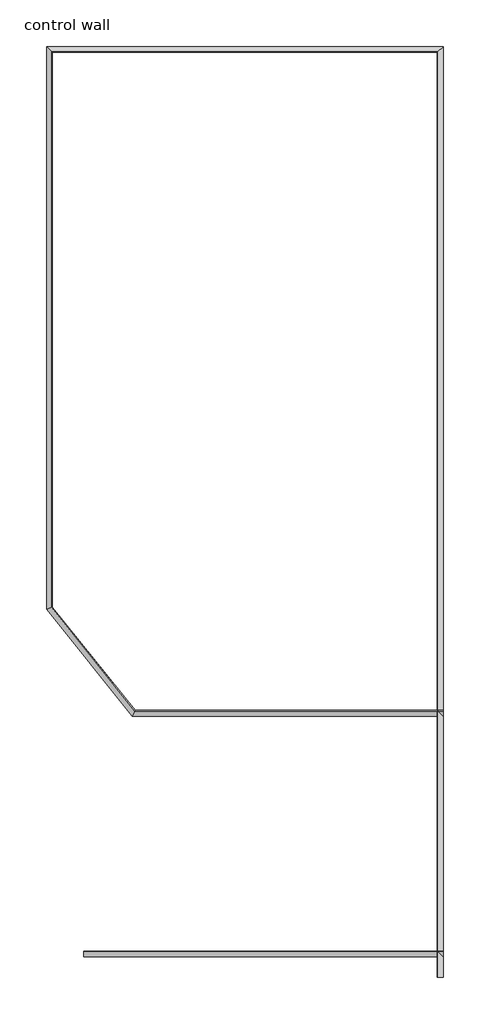
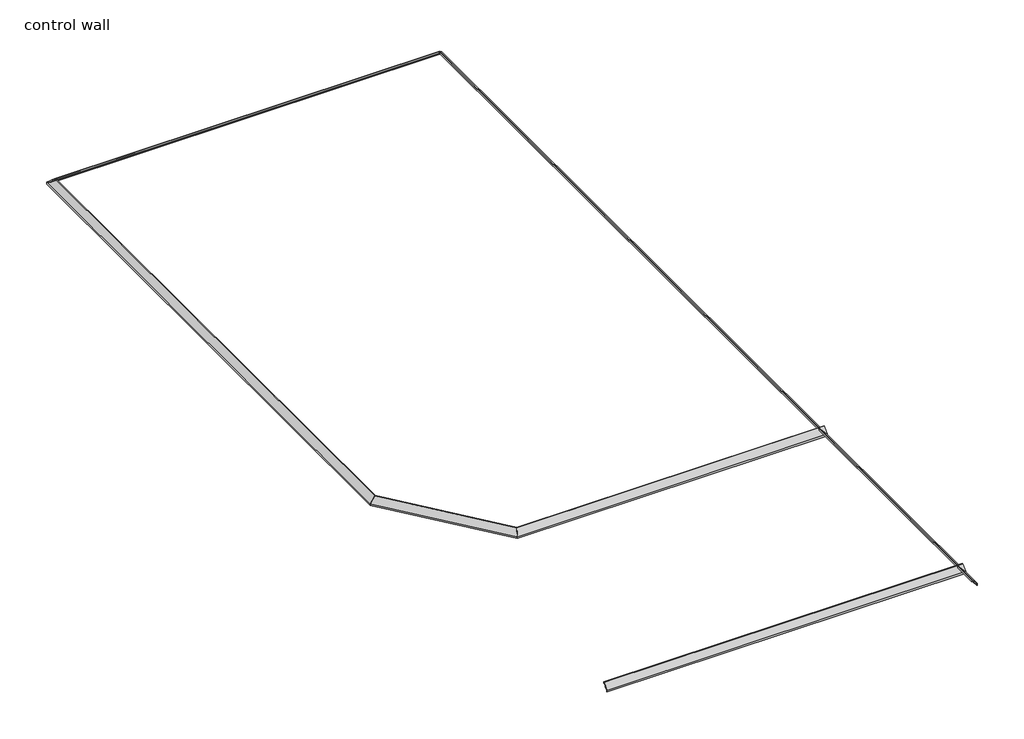
# One storey: 6 proxies.
"""IFC4 building model written with IfcOpenShell, lengths in millimetres."""

from ifc_helpers import new_model, si_unit, point, frame, frame_2d, origin, place, context, project, spatial, polyline, circle_curve, ellipse_curve, trimmed, segment, composite_curve, outline, extrude, element, save
from ifc_brep_helpers import plane_surface, cylinder_surface, revolved_surface, advanced_brep

model = new_model("IFC4")

# Units and contexts
model_context = context("Model", 3, world=origin())
ifc_project = project(units=[si_unit("LENGTHUNIT", "METRE", prefix="MILLI")], contexts=[model_context])

# Site, building, storey
site = spatial("IfcSite", under=ifc_project)
building = spatial("IfcBuilding", under=site)
storey = spatial("IfcBuildingStorey", under=building, Name="control wall", Elevation=2133.6)

# Proxies
placement = place(None, origin())
element("IfcBuildingElementProxy", 1, Name="Wall Sweeps", at=placement, inside=storey, context=model_context, shape_type="AdvancedBrep", body=[
    advanced_brep(
    [(19675.443485, -9564.6194644, 2830.5793892), (19675.443485, -9564.6194644, 2806.7), (19684.4237411, -9573.5997205, 2806.7), (19684.4237411, -9573.5997205, 2815.6802561), (19697.8941253, -9587.0701047, 2829.1506403), (19697.8941253, -9587.0701047, 2835.5006403), (19718.4188051, -9607.5947846, 2856.0253202), (19738.943485, -9628.1194644, 2876.55), (19748.5667938, -9637.7427732, 2876.55), (19748.5667938, -9637.7427732, 2895.6), (19740.4640958, -9629.6400752, 2895.6), (24577.643485, -9564.6194644, 2830.5793892), (24512.6228741, -9629.6400752, 2895.6), (24504.5201762, -9637.7427732, 2895.6), (24504.5201762, -9637.7427732, 2876.55), (24514.143485, -9628.1194644, 2876.55), (24534.6681648, -9607.5947846, 2856.0253202), (24555.1928447, -9587.0701047, 2835.5006403), (24555.1928447, -9587.0701047, 2829.1506403), (24568.6632288, -9573.5997205, 2815.6802561), (24568.6632288, -9573.5997205, 2806.7), (24577.643485, -9564.6194644, 2806.7)],
    [
        (0, 1),
        (1, 2),
        (2, 3),
        (3, 4, ellipse_curve(frame((19697.8941253, -9587.0701047, 2815.6802561), z_axis=(0.7071067811865547, 0.7071067811865405, 0.0), x_axis=(0.7071067811865402, -0.7071067811865548, 0.0)), 19.05, 13.4703842)),
        (4, 5),
        (5, 6, ellipse_curve(frame((19697.8941253, -9587.0701047, 2856.0253202), z_axis=(-0.7071067811865547, -0.7071067811865405, 0.0), x_axis=(-0.7071067811865402, 0.7071067811865548, 0.0)), 29.0262806, 20.5246798)),
        (6, 7, ellipse_curve(frame((19738.943485, -9628.1194644, 2856.0253202), z_axis=(0.7071067811865547, 0.7071067811865405, 0.0), x_axis=(0.7071067811865402, -0.7071067811865548, 0.0)), 29.0262806, 20.5246798)),
        (7, 8),
        (8, 9),
        (9, 10),
        (10, 0),
        (11, 12),
        (12, 13),
        (13, 14),
        (14, 15),
        (15, 16, ellipse_curve(frame((24514.143485, -9628.1194644, 2856.0253202), z_axis=(-0.707106781186544, 0.7071067811865511, 0.0), x_axis=(0.707106781186551, 0.707106781186544, 0.0)), 29.0262806, 20.5246798)),
        (16, 17, ellipse_curve(frame((24555.1928447, -9587.0701047, 2856.0253202), z_axis=(0.707106781186544, -0.7071067811865511, 0.0), x_axis=(-0.707106781186551, -0.707106781186544, 0.0)), 29.0262806, 20.5246798)),
        (17, 18),
        (18, 19, ellipse_curve(frame((24555.1928447, -9587.0701047, 2815.6802561), z_axis=(-0.707106781186544, 0.7071067811865511, 0.0), x_axis=(0.707106781186551, 0.707106781186544, 0.0)), 19.05, 13.4703842)),
        (19, 20),
        (20, 21),
        (21, 11),
        (10, 12),
        (11, 0),
        (9, 13),
        (8, 14),
        (7, 15),
        (6, 16),
        (5, 17),
        (4, 18),
        (3, 19),
        (2, 20),
        (1, 21),
    ],
    [
        plane_surface(frame((19675.443485, -9564.6194644, 3111.5), z_axis=(-0.7071067811865547, -0.7071067811865405, 0.0), x_axis=(0.7071067811865405, -0.7071067811865547, 0.0))),
        plane_surface(frame((24577.643485, -9564.6194644, 3111.5), z_axis=(0.707106781186544, -0.7071067811865511, 0.0), x_axis=(-0.7071067811865511, -0.707106781186544, 0.0))),
        plane_surface(frame((19740.4640958, -9629.6400752, 2895.6), z_axis=(0.0, 0.707106781186547, 0.707106781186548), x_axis=(1.0, 0.0, 0.0))),
        plane_surface(frame((19748.5667938, -9637.7427732, 2895.6), z_axis=(0.0, 0.0, 1.0), x_axis=(1.0, 0.0, 0.0))),
        plane_surface(frame((19748.5667938, -9637.7427732, 2876.55), z_axis=(0.0, -1.0, 0.0), x_axis=(1.0, 0.0, 0.0))),
        plane_surface(frame((19738.943485, -9628.1194644, 2876.55), z_axis=(0.0, 0.0, -1.0), x_axis=(1.0, 0.0, 0.0))),
        revolved_surface(polyline([(24534.668164844883, -9648.644144200001, 2856.0253202), (19718.4188051, -9648.644144200001, 2856.0253202)]), (19675.443485, -9628.1194644, 2856.0253202), (1.0, 0.0, 0.0)),
        cylinder_surface(frame((19675.443485, -9587.0701047, 2856.0253202), z_axis=(-1.0, 0.0, 0.0), x_axis=(0.0, -1.0, 0.0)), 20.5246798),
        plane_surface(frame((19697.8941253, -9587.0701047, 2829.1506403), z_axis=(0.0, -1.0, 0.0), x_axis=(1.0, 0.0, 0.0))),
        revolved_surface(polyline([(24568.663228881604, -9600.5404889, 2815.6802561), (19684.4237411, -9600.5404889, 2815.6802561)]), (19675.443485, -9587.0701047, 2815.6802561), (1.0, 0.0, 0.0)),
        plane_surface(frame((19684.4237411, -9573.5997205, 2806.7), z_axis=(0.0, -1.0, 0.0), x_axis=(1.0, 0.0, 0.0))),
        plane_surface(frame((19675.443485, -9564.6194644, 2806.7), z_axis=(0.0, 0.0, -1.0), x_axis=(1.0, 0.0, 0.0))),
        plane_surface(frame((19675.443485, -9564.6194644, 2830.5793892), z_axis=(0.0, 1.0, 0.0), x_axis=(1.0, 0.0, 0.0))),
    ],
    [
        (0, [[1, 2, 3, 4, 5, 6, 7, 8, 9, 10, 11]]),
        (1, [[12, 13, 14, 15, 16, 17, 18, 19, 20, 21, 22]]),
        (2, [[-11, 23, -12, 24]]),
        (3, [[-10, 25, -13, -23]]),
        (4, [[-9, 26, -14, -25]]),
        (5, [[-8, 27, -15, -26]]),
        (6, [[-7, 28, -16, -27]]),
        (7, [[-6, 29, -17, -28]]),
        (8, [[-5, 30, -18, -29]]),
        (9, [[-4, 31, -19, -30]]),
        (10, [[-3, 32, -20, -31]]),
        (11, [[-2, 33, -21, -32]]),
        (12, [[-1, -24, -22, -33]]),
    ],
),
])
element("IfcBuildingElementProxy", 2, Name="Wall Sweeps", at=placement, inside=storey, context=model_context, shape_type="SweptSolid", body=[
    extrude(outline(composite_curve([segment(polyline([(-20819.9944644, 2830.5793892), (-20754.9738536, 2895.6), (-20746.8711556, 2895.6), (-20746.8711556, 2876.55), (-20756.4944644, 2876.55)]), True, "CONTINUOUS"), segment(trimmed(circle_curve(frame_2d((-20756.4944644, 2856.0253202)), 20.5246798), [point((-20756.4944644, 2876.55))], [point((-20777.0191443, 2856.0253202))], True, "CARTESIAN"), True, "CONTINUOUS"), segment(trimmed(circle_curve(frame_2d((-20797.5438241, 2856.0253202)), 20.5246798), [point((-20777.0191443, 2856.0253202))], [point((-20797.5438241, 2835.5006403))], False, "CARTESIAN"), True, "CONTINUOUS"), segment(polyline([(-20797.5438241, 2835.5006403), (-20797.5438241, 2829.1506403)]), True, "CONTINUOUS"), segment(trimmed(circle_curve(frame_2d((-20797.5438241, 2815.6802561)), 13.4703842), [point((-20797.5438241, 2829.1506403))], [point((-20811.0142083, 2815.6802561))], True, "CARTESIAN"), True, "CONTINUOUS"), segment(polyline([(-20811.0142083, 2815.6802561), (-20811.0142083, 2806.7), (-20819.9944644, 2806.7), (-20819.9944644, 2830.5793892)]), True, "CONTINUOUS")], self_intersect=False)), frame((20132.6435866, 0.0, 0.0), z_axis=(1.0, 0.0, 0.0), x_axis=(0.0, 1.0, 0.0)), (0.0, 0.0, 1.0), 4444.9998984),
])
element("IfcBuildingElementProxy", 3, Name="Wall Sweeps", at=placement, inside=storey, context=model_context, shape_type="AdvancedBrep", body=[
    advanced_brep(
    [(24577.643485, -21073.2007144, 2830.5793892), (24512.6228741, -21073.2007144, 2895.6), (24504.5201762, -21073.2007144, 2895.6), (24504.5201762, -21073.2007144, 2876.55), (24514.143485, -21073.2007144, 2876.55), (24534.6681648, -21073.2007144, 2856.0253202), (24555.1928447, -21073.2007144, 2835.5006403), (24555.1928447, -21073.2007144, 2829.1506403), (24568.6632288, -21073.2007144, 2815.6802561), (24568.6632288, -21073.2007144, 2806.7), (24577.643485, -21073.2007144, 2806.7), (24577.643485, -9564.6194644, 2830.5793892), (24577.643485, -9564.6194644, 2806.7), (24568.6632288, -9573.5997205, 2806.7), (24568.6632288, -9573.5997205, 2815.6802561), (24555.1928447, -9587.0701047, 2829.1506403), (24555.1928447, -9587.0701047, 2835.5006403), (24534.6681648, -9607.5947846, 2856.0253202), (24514.143485, -9628.1194644, 2876.55), (24504.5201762, -9637.7427732, 2876.55), (24504.5201762, -9637.7427732, 2895.6), (24512.6228741, -9629.6400752, 2895.6)],
    [
        (0, 1),
        (1, 2),
        (2, 3),
        (3, 4),
        (4, 5, circle_curve(frame((24514.143485, -21073.2007144, 2856.0253202), z_axis=(0.0, 1.0, 0.0), x_axis=(-1.0, 0.0, 0.0)), 20.5246798)),
        (5, 6, circle_curve(frame((24555.1928447, -21073.2007144, 2856.0253202), z_axis=(0.0, -1.0, 0.0), x_axis=(-1.0, 0.0, 0.0)), 20.5246798)),
        (6, 7),
        (7, 8, circle_curve(frame((24555.1928447, -21073.2007144, 2815.6802561), z_axis=(0.0, 1.0, 0.0), x_axis=(-1.0, 0.0, 0.0)), 13.4703842)),
        (8, 9),
        (9, 10),
        (10, 0),
        (11, 12),
        (12, 13),
        (13, 14),
        (14, 15, ellipse_curve(frame((24555.1928447, -9587.0701047, 2815.6802561), z_axis=(0.7071067811865422, -0.7071067811865529, 0.0), x_axis=(0.707106781186553, 0.707106781186542, 0.0)), 19.05, 13.4703842)),
        (15, 16),
        (16, 17, ellipse_curve(frame((24555.1928447, -9587.0701047, 2856.0253202), z_axis=(-0.7071067811865422, 0.7071067811865529, 0.0), x_axis=(-0.707106781186553, -0.707106781186542, 0.0)), 29.0262806, 20.5246798)),
        (17, 18, ellipse_curve(frame((24514.143485, -9628.1194644, 2856.0253202), z_axis=(0.7071067811865422, -0.7071067811865529, 0.0), x_axis=(0.707106781186553, 0.707106781186542, 0.0)), 29.0262806, 20.5246798)),
        (18, 19),
        (19, 20),
        (20, 21),
        (21, 11),
        (0, 11),
        (21, 1),
        (20, 2),
        (19, 3),
        (18, 4),
        (17, 5),
        (16, 6),
        (15, 7),
        (14, 8),
        (13, 9),
        (12, 10),
    ],
    [
        plane_surface(frame((24462.533849, -21073.2007144, 2806.7), z_axis=(0.0, -1.0, 0.0), x_axis=(0.0, 0.0, 1.0))),
        plane_surface(frame((24577.643485, -9564.6194644, 2501.9), z_axis=(-0.7071067811865422, 0.7071067811865529, 0.0), x_axis=(-0.7071067811865529, -0.7071067811865422, 0.0))),
        plane_surface(frame((24577.643485, -21073.2007144, 2830.5793892), z_axis=(0.707106781186547, 0.0, 0.707106781186548), x_axis=(0.0, 1.0, 0.0))),
        plane_surface(frame((24512.6228741, -21073.2007144, 2895.6), z_axis=(0.0, 0.0, 1.0), x_axis=(0.0, 1.0, 0.0))),
        plane_surface(frame((24504.5201762, -21073.2007144, 2895.6), z_axis=(-1.0, 0.0, 0.0), x_axis=(0.0, 1.0, 0.0))),
        plane_surface(frame((24504.5201762, -21073.2007144, 2876.55), z_axis=(0.0, 0.0, -1.0), x_axis=(0.0, 1.0, 0.0))),
        revolved_surface(polyline([(24493.6188052, -9607.594784555118, 2856.0253202), (24493.6188052, -21073.2007144, 2856.0253202)]), (24514.143485, -21073.2007144, 2856.0253202), (0.0, 1.0, 0.0)),
        cylinder_surface(frame((24555.1928447, -21073.2007144, 2856.0253202), z_axis=(0.0, -1.0, 0.0), x_axis=(-1.0, 0.0, 0.0)), 20.5246798),
        plane_surface(frame((24555.1928447, -21073.2007144, 2835.5006403), z_axis=(-1.0, 0.0, 0.0), x_axis=(0.0, 1.0, 0.0))),
        revolved_surface(polyline([(24541.722460499997, -9573.5997205, 2815.6802561), (24541.722460499997, -21073.2007144, 2815.6802561)]), (24555.1928447, -21073.2007144, 2815.6802561), (0.0, 1.0, 0.0)),
        plane_surface(frame((24568.6632288, -21073.2007144, 2815.6802561), z_axis=(-1.0, 0.0, 0.0), x_axis=(0.0, 1.0, 0.0))),
        plane_surface(frame((24568.6632288, -21073.2007144, 2806.7), z_axis=(0.0, 0.0, -1.0), x_axis=(0.0, 1.0, 0.0))),
        plane_surface(frame((24577.643485, -21073.2007144, 2806.7), z_axis=(1.0, 0.0, 0.0), x_axis=(0.0, 1.0, 0.0))),
    ],
    [
        (0, [[1, 2, 3, 4, 5, 6, 7, 8, 9, 10, 11]]),
        (1, [[12, 13, 14, 15, 16, 17, 18, 19, 20, 21, 22]]),
        (2, [[-1, 23, -22, 24]]),
        (3, [[-2, -24, -21, 25]]),
        (4, [[-3, -25, -20, 26]]),
        (5, [[-4, -26, -19, 27]]),
        (6, [[-5, -27, -18, 28]]),
        (7, [[-6, -28, -17, 29]]),
        (8, [[-7, -29, -16, 30]]),
        (9, [[-8, -30, -15, 31]]),
        (10, [[-9, -31, -14, 32]]),
        (11, [[-10, -32, -13, 33]]),
        (12, [[-11, -33, -12, -23]]),
    ],
),
])
element("IfcBuildingElementProxy", 4, Name="Wall Sweeps", at=placement, inside=storey, context=model_context, shape_type="AdvancedBrep", body=[
    advanced_brep(
    [(19675.443485, -16521.0975032, 2830.5793892), (19675.443485, -16521.0975032, 2806.7), (19684.4237411, -16517.946789, 2806.7), (19684.4237411, -16517.946789, 2815.6802561), (19697.8941253, -16513.2207175, 2829.1506403), (19697.8941253, -16513.2207175, 2835.5006403), (19718.4188051, -16506.0196532, 2856.0253202), (19738.943485, -16498.8185889, 2876.55), (19748.5667938, -16495.4422602, 2876.55), (19748.5667938, -16495.4422602, 2895.6), (19740.4640958, -16498.2850841, 2895.6), (19675.443485, -9564.6194644, 2830.5793892), (19740.4640958, -9629.6400752, 2895.6), (19748.5667938, -9637.7427732, 2895.6), (19748.5667938, -9637.7427732, 2876.55), (19738.943485, -9628.1194644, 2876.55), (19718.4188051, -9607.5947846, 2856.0253202), (19697.8941253, -9587.0701047, 2835.5006403), (19697.8941253, -9587.0701047, 2829.1506403), (19684.4237411, -9573.5997205, 2815.6802561), (19684.4237411, -9573.5997205, 2806.7), (19675.443485, -9564.6194644, 2806.7)],
    [
        (0, 1),
        (1, 2),
        (2, 3),
        (3, 4, ellipse_curve(frame((19697.8941253, -16513.2207175, 2815.6802561), z_axis=(-0.33106406338167255, 0.9436082799219261, 0.0), x_axis=(0.9436082799219262, 0.33106406338167227, 0.0)), 14.2753985, 13.4703842)),
        (4, 5),
        (5, 6, ellipse_curve(frame((19697.8941253, -16513.2207175, 2856.0253202), z_axis=(0.33106406338167255, -0.9436082799219261, 0.0), x_axis=(-0.9436082799219262, -0.33106406338167227, 0.0)), 21.7512715, 20.5246798)),
        (6, 7, ellipse_curve(frame((19738.943485, -16498.8185889, 2856.0253202), z_axis=(-0.33106406338167255, 0.9436082799219261, 0.0), x_axis=(0.9436082799219262, 0.33106406338167227, 0.0)), 21.7512715, 20.5246798)),
        (7, 8),
        (8, 9),
        (9, 10),
        (10, 0),
        (11, 12),
        (12, 13),
        (13, 14),
        (14, 15),
        (15, 16, ellipse_curve(frame((19738.943485, -9628.1194644, 2856.0253202), z_axis=(-0.7071067811865547, -0.7071067811865405, 0.0), x_axis=(-0.7071067811865405, 0.7071067811865545, 0.0)), 29.0262806, 20.5246798)),
        (16, 17, ellipse_curve(frame((19697.8941253, -9587.0701047, 2856.0253202), z_axis=(0.7071067811865547, 0.7071067811865405, 0.0), x_axis=(0.7071067811865405, -0.7071067811865545, 0.0)), 29.0262806, 20.5246798)),
        (17, 18),
        (18, 19, ellipse_curve(frame((19697.8941253, -9587.0701047, 2815.6802561), z_axis=(-0.7071067811865547, -0.7071067811865405, 0.0), x_axis=(-0.7071067811865405, 0.7071067811865545, 0.0)), 19.05, 13.4703842)),
        (19, 20),
        (20, 21),
        (21, 11),
        (10, 12),
        (11, 0),
        (9, 13),
        (8, 14),
        (7, 15),
        (6, 16),
        (5, 17),
        (4, 18),
        (3, 19),
        (2, 20),
        (1, 21),
    ],
    [
        plane_surface(frame((19675.443485, -16521.0975032, 3111.5), z_axis=(0.33106406338167255, -0.9436082799219261, 0.0), x_axis=(0.9436082799219261, 0.33106406338167255, 0.0))),
        plane_surface(frame((19675.443485, -9564.6194644, 3111.5), z_axis=(0.7071067811865547, 0.7071067811865405, 0.0), x_axis=(0.7071067811865405, -0.7071067811865547, 0.0))),
        plane_surface(frame((19740.4640958, -16498.2850841, 2895.6), z_axis=(-0.707106781186547, 0.0, 0.707106781186548), x_axis=(0.0, 1.0, 0.0))),
        plane_surface(frame((19748.5667938, -16495.4422602, 2895.6), z_axis=(0.0, 0.0, 1.0), x_axis=(0.0, 1.0, 0.0))),
        plane_surface(frame((19748.5667938, -16495.4422602, 2876.55), z_axis=(1.0, 0.0, 0.0), x_axis=(0.0, 1.0, 0.0))),
        plane_surface(frame((19738.943485, -16498.8185889, 2876.55), z_axis=(0.0, 0.0, -1.0), x_axis=(0.0, 1.0, 0.0))),
        revolved_surface(polyline([(19759.4681648, -9607.594784555116, 2856.0253202), (19759.4681648, -16506.01965322651, 2856.0253202)]), (19738.943485, -16521.0975032, 2856.0253202), (0.0, 1.0, 0.0)),
        cylinder_surface(frame((19697.8941253, -16521.0975032, 2856.0253202), z_axis=(0.0, -1.0, 0.0), x_axis=(1.0, 0.0, 0.0)), 20.5246798),
        plane_surface(frame((19697.8941253, -16513.2207175, 2829.1506403), z_axis=(1.0, 0.0, 0.0), x_axis=(0.0, 1.0, 0.0))),
        revolved_surface(polyline([(19711.364509500003, -9573.5997205, 2815.6802561), (19711.364509500003, -16517.946789, 2815.6802561)]), (19697.8941253, -16521.0975032, 2815.6802561), (0.0, 1.0, 0.0)),
        plane_surface(frame((19684.4237411, -16517.946789, 2806.7), z_axis=(1.0, 0.0, 0.0), x_axis=(0.0, 1.0, 0.0))),
        plane_surface(frame((19675.443485, -16521.0975032, 2806.7), z_axis=(0.0, 0.0, -1.0), x_axis=(0.0, 1.0, 0.0))),
        plane_surface(frame((19675.443485, -16521.0975032, 2830.5793892), z_axis=(-1.0, 0.0, 0.0), x_axis=(0.0, 1.0, 0.0))),
    ],
    [
        (0, [[1, 2, 3, 4, 5, 6, 7, 8, 9, 10, 11]]),
        (1, [[12, 13, 14, 15, 16, 17, 18, 19, 20, 21, 22]]),
        (2, [[-11, 23, -12, 24]]),
        (3, [[-10, 25, -13, -23]]),
        (4, [[-9, 26, -14, -25]]),
        (5, [[-8, 27, -15, -26]]),
        (6, [[-7, 28, -16, -27]]),
        (7, [[-6, 29, -17, -28]]),
        (8, [[-5, 30, -18, -29]]),
        (9, [[-4, 31, -19, -30]]),
        (10, [[-3, 32, -20, -31]]),
        (11, [[-2, 33, -21, -32]]),
        (12, [[-1, -24, -22, -33]]),
    ],
),
])
element("IfcBuildingElementProxy", 5, Name="Wall Sweeps", at=placement, inside=storey, context=model_context, shape_type="AdvancedBrep", body=[
    advanced_brep(
    [(19675.443485, -16521.0975032, 2830.5793892), (19740.4640958, -16498.2850841, 2895.6), (19748.5667938, -16495.4422602, 2895.6), (19748.5667938, -16495.4422602, 2876.55), (19738.943485, -16498.8185889, 2876.55), (19718.4188051, -16506.0196532, 2856.0253202), (19697.8941253, -16513.2207175, 2835.5006403), (19697.8941253, -16513.2207175, 2829.1506403), (19684.4237411, -16517.946789, 2815.6802561), (19684.4237411, -16517.946789, 2806.7), (19675.443485, -16521.0975032, 2806.7), (20734.8439505, -17845.0194644, 2830.5793892), (20734.8439505, -17845.0194644, 2806.7), (20739.1594155, -17836.0392083, 2806.7), (20739.1594155, -17836.0392083, 2815.6802561), (20745.6326131, -17822.5688241, 2829.1506403), (20745.6326131, -17822.5688241, 2835.5006403), (20755.4957548, -17802.0441443, 2856.0253202), (20765.3588965, -17781.5194644, 2876.55), (20769.9833807, -17771.8961556, 2876.55), (20769.9833807, -17771.8961556, 2895.6), (20766.0896265, -17779.9988536, 2895.6)],
    [
        (0, 1),
        (1, 2),
        (2, 3),
        (3, 4),
        (4, 5, ellipse_curve(frame((19738.943485, -16498.8185889, 2856.0253202), z_axis=(0.33106406338167255, -0.9436082799219261, 0.0), x_axis=(0.9436082799219261, 0.3310640633816727, 0.0)), 21.7512715, 20.5246798)),
        (5, 6, ellipse_curve(frame((19697.8941253, -16513.2207175, 2856.0253202), z_axis=(-0.33106406338167255, 0.9436082799219261, 0.0), x_axis=(-0.9436082799219261, -0.3310640633816727, 0.0)), 21.7512715, 20.5246798)),
        (6, 7),
        (7, 8, ellipse_curve(frame((19697.8941253, -16513.2207175, 2815.6802561), z_axis=(0.33106406338167255, -0.9436082799219261, 0.0), x_axis=(0.9436082799219261, 0.3310640633816727, 0.0)), 14.2753985, 13.4703842)),
        (8, 9),
        (9, 10),
        (10, 0),
        (11, 12),
        (12, 13),
        (13, 14),
        (14, 15, ellipse_curve(frame((20745.6326131, -17822.5688241, 2815.6802561), z_axis=(-0.9013294577409205, 0.43313416929221626, 0.0), x_axis=(-0.4331341692922166, -0.9013294577409202, 0.0)), 14.9450171, 13.4703842)),
        (15, 16),
        (16, 17, ellipse_curve(frame((20745.6326131, -17822.5688241, 2856.0253202), z_axis=(0.9013294577409205, -0.43313416929221626, 0.0), x_axis=(0.4331341692922166, 0.9013294577409202, 0.0)), 22.7715622, 20.5246798)),
        (17, 18, ellipse_curve(frame((20765.3588965, -17781.5194644, 2856.0253202), z_axis=(-0.9013294577409205, 0.43313416929221626, 0.0), x_axis=(-0.4331341692922166, -0.9013294577409202, 0.0)), 22.7715622, 20.5246798)),
        (18, 19),
        (19, 20),
        (20, 21),
        (21, 11),
        (10, 12),
        (11, 0),
        (9, 13),
        (8, 14),
        (7, 15),
        (6, 16),
        (5, 17),
        (4, 18),
        (3, 19),
        (2, 20),
        (1, 21),
    ],
    [
        plane_surface(frame((19675.443485, -16521.0975032, 2501.9), z_axis=(-0.33106406338167255, 0.9436082799219261, 0.0), x_axis=(0.9436082799219261, 0.33106406338167255, 0.0))),
        plane_surface(frame((20734.8439505, -17845.0194644, 2501.9), z_axis=(0.9013294577409205, -0.43313416929221626, 0.0), x_axis=(0.43313416929221626, 0.9013294577409205, 0.0))),
        plane_surface(frame((19675.443485, -16521.0975032, 2806.7), z_axis=(-0.7807931718744289, -0.6247895827830907, 0.0), x_axis=(0.6247895827830907, -0.7807931718744289, 0.0))),
        plane_surface(frame((19684.4237411, -16517.946789, 2806.7), z_axis=(0.0, 0.0, -1.0000000000000002), x_axis=(0.6247895827830902, -0.7807931718744294, 0.0))),
        plane_surface(frame((19684.4237411, -16517.946789, 2815.6802561), z_axis=(0.7807931718744294, 0.6247895827830902, 0.0), x_axis=(0.6247895827830902, -0.7807931718744294, 0.0))),
        revolved_surface(polyline([(20760.19458353852, -17819.206896830103, 2815.6802561), (19705.45890908124, -16501.114477490708, 2815.6802561)]), (19692.9727916, -16507.070577, 2815.6802561), (0.6247895827830905, -0.7807931718744292, 0.0)),
        plane_surface(frame((19697.8941253, -16513.2207175, 2835.5006403), z_axis=(0.7807931718744284, 0.6247895827830914, 0.0), x_axis=(0.6247895827830914, -0.7807931718744284, 0.0))),
        cylinder_surface(frame((19692.9727916, -16507.070577, 2856.0253202), z_axis=(-0.6247895827830905, 0.7807931718744292, 0.0), x_axis=(0.7807931718744292, 0.6247895827830905, 0.0)), 20.5246798),
        revolved_surface(polyline([(20787.546814577472, -17776.396931968407, 2856.0253202), (19750.46986484865, -16480.372440891468, 2856.0253202)]), (19725.0238514, -16481.4233647, 2856.0253202), (0.6247895827830905, -0.7807931718744292, 0.0)),
        plane_surface(frame((19748.5667938, -16495.4422602, 2876.55), z_axis=(0.0, 0.0, -1.0), x_axis=(0.6247895827830906, -0.780793171874429, 0.0))),
        plane_surface(frame((19748.5667938, -16495.4422602, 2895.6), z_axis=(0.780793171874429, 0.6247895827830906, 0.0), x_axis=(0.6247895827830906, -0.780793171874429, 0.0))),
        plane_surface(frame((19740.4640958, -16498.2850841, 2895.6), z_axis=(0.0, 0.0, 1.0000000000000002), x_axis=(0.6247895827830909, -0.7807931718744289, 0.0))),
        plane_surface(frame((19675.443485, -16521.0975032, 2830.5793892), z_axis=(-0.5521041465365618, -0.4417929508006369, 0.7071067811865481), x_axis=(0.6247895827830907, -0.7807931718744289, 0.0))),
    ],
    [
        (0, [[1, 2, 3, 4, 5, 6, 7, 8, 9, 10, 11]]),
        (1, [[12, 13, 14, 15, 16, 17, 18, 19, 20, 21, 22]]),
        (2, [[-11, 23, -12, 24]]),
        (3, [[-10, 25, -13, -23]]),
        (4, [[-9, 26, -14, -25]]),
        (5, [[-8, 27, -15, -26]]),
        (6, [[-7, 28, -16, -27]]),
        (7, [[-6, 29, -17, -28]]),
        (8, [[-5, 30, -18, -29]]),
        (9, [[-4, 31, -19, -30]]),
        (10, [[-3, 32, -20, -31]]),
        (11, [[-2, 33, -21, -32]]),
        (12, [[-1, -24, -22, -33]]),
    ],
),
])
element("IfcBuildingElementProxy", 6, Name="Wall Sweeps", at=placement, inside=storey, context=model_context, shape_type="AdvancedBrep", body=[
    advanced_brep(
    [(20734.8439505, -17845.0194644, 2830.5793892), (20766.0896265, -17779.9988536, 2895.6), (20769.9833807, -17771.8961556, 2895.6), (20769.9833807, -17771.8961556, 2876.55), (20765.3588965, -17781.5194644, 2876.55), (20755.4957548, -17802.0441443, 2856.0253202), (20745.6326131, -17822.5688241, 2835.5006403), (20745.6326131, -17822.5688241, 2829.1506403), (20739.1594155, -17836.0392083, 2815.6802561), (20739.1594155, -17836.0392083, 2806.7), (20734.8439505, -17845.0194644, 2806.7), (24577.643485, -17845.0194644, 2830.5793892), (24577.643485, -17845.0194644, 2806.7), (24577.643485, -17836.0392083, 2806.7), (24577.643485, -17836.0392083, 2815.6802561), (24577.643485, -17822.5688241, 2829.1506403), (24577.643485, -17822.5688241, 2835.5006403), (24577.643485, -17802.0441443, 2856.0253202), (24577.643485, -17781.5194644, 2876.55), (24577.643485, -17771.8961556, 2876.55), (24577.643485, -17771.8961556, 2895.6), (24577.643485, -17779.9988536, 2895.6)],
    [
        (0, 1),
        (1, 2),
        (2, 3),
        (3, 4),
        (4, 5, ellipse_curve(frame((20765.3588965, -17781.5194644, 2856.0253202), z_axis=(0.9013294577409205, -0.43313416929221626, 0.0), x_axis=(0.43313416929221604, 0.9013294577409207, 0.0)), 22.7715622, 20.5246798)),
        (5, 6, ellipse_curve(frame((20745.6326131, -17822.5688241, 2856.0253202), z_axis=(-0.9013294577409205, 0.43313416929221626, 0.0), x_axis=(-0.43313416929221604, -0.9013294577409207, 0.0)), 22.7715622, 20.5246798)),
        (6, 7),
        (7, 8, ellipse_curve(frame((20745.6326131, -17822.5688241, 2815.6802561), z_axis=(0.9013294577409205, -0.43313416929221626, 0.0), x_axis=(0.43313416929221604, 0.9013294577409207, 0.0)), 14.9450171, 13.4703842)),
        (8, 9),
        (9, 10),
        (10, 0),
        (11, 12),
        (12, 13),
        (13, 14),
        (14, 15, circle_curve(frame((24577.643485, -17822.5688241, 2815.6802561), z_axis=(-1.0, 0.0, 0.0), x_axis=(0.0, 1.0, 0.0)), 13.4703842)),
        (15, 16),
        (16, 17, circle_curve(frame((24577.643485, -17822.5688241, 2856.0253202), z_axis=(1.0, 0.0, 0.0), x_axis=(0.0, 1.0, 0.0)), 20.5246798)),
        (17, 18, circle_curve(frame((24577.643485, -17781.5194644, 2856.0253202), z_axis=(-1.0, 0.0, 0.0), x_axis=(0.0, 1.0, 0.0)), 20.5246798)),
        (18, 19),
        (19, 20),
        (20, 21),
        (21, 11),
        (0, 11),
        (21, 1),
        (20, 2),
        (19, 3),
        (18, 4),
        (17, 5),
        (16, 6),
        (15, 7),
        (14, 8),
        (13, 9),
        (12, 10),
    ],
    [
        plane_surface(frame((20734.8439505, -17845.0194644, 2501.9), z_axis=(-0.9013294577409205, 0.43313416929221626, 0.0), x_axis=(0.43313416929221626, 0.9013294577409205, 0.0))),
        plane_surface(frame((24577.643485, -17845.0194644, 2691.590364), z_axis=(1.0, 0.0, 0.0), x_axis=(0.0, 1.0, 0.0))),
        plane_surface(frame((20734.8439505, -17845.0194644, 2830.5793892), z_axis=(0.0, -0.707106781186547, 0.707106781186548), x_axis=(1.0, 0.0, 0.0))),
        plane_surface(frame((20766.0896265, -17779.9988536, 2895.6), z_axis=(0.0, 0.0, 1.0), x_axis=(1.0, 0.0, 0.0))),
        plane_surface(frame((20769.9833807, -17771.8961556, 2895.6), z_axis=(0.0, 1.0, 0.0), x_axis=(1.0, 0.0, 0.0))),
        plane_surface(frame((20769.9833807, -17771.8961556, 2876.55), z_axis=(0.0, 0.0, -1.0), x_axis=(1.0, 0.0, 0.0))),
        revolved_surface(polyline([(24577.643485, -17760.9947846, 2856.0253202), (20755.4957548, -17760.9947846, 2856.0253202)]), (20734.8439505, -17781.5194644, 2856.0253202), (1.0, 0.0, 0.0)),
        cylinder_surface(frame((20734.8439505, -17822.5688241, 2856.0253202), z_axis=(-1.0, 0.0, 0.0), x_axis=(0.0, 1.0, 0.0)), 20.5246798),
        plane_surface(frame((20745.6326131, -17822.5688241, 2835.5006403), z_axis=(0.0, 1.0, 0.0), x_axis=(1.0, 0.0, 0.0))),
        revolved_surface(polyline([(24577.643485, -17809.098439899997, 2815.6802561), (20739.1594155, -17809.098439899997, 2815.6802561)]), (20734.8439505, -17822.5688241, 2815.6802561), (1.0, 0.0, 0.0)),
        plane_surface(frame((20739.1594155, -17836.0392083, 2815.6802561), z_axis=(0.0, 1.0, 0.0), x_axis=(1.0, 0.0, 0.0))),
        plane_surface(frame((20739.1594155, -17836.0392083, 2806.7), z_axis=(0.0, 0.0, -1.0), x_axis=(1.0, 0.0, 0.0))),
        plane_surface(frame((20734.8439505, -17845.0194644, 2806.7), z_axis=(0.0, -1.0, 0.0), x_axis=(1.0, 0.0, 0.0))),
    ],
    [
        (0, [[1, 2, 3, 4, 5, 6, 7, 8, 9, 10, 11]]),
        (1, [[12, 13, 14, 15, 16, 17, 18, 19, 20, 21, 22]]),
        (2, [[-1, 23, -22, 24]]),
        (3, [[-2, -24, -21, 25]]),
        (4, [[-3, -25, -20, 26]]),
        (5, [[-4, -26, -19, 27]]),
        (6, [[-5, -27, -18, 28]]),
        (7, [[-6, -28, -17, 29]]),
        (8, [[-7, -29, -16, 30]]),
        (9, [[-8, -30, -15, 31]]),
        (10, [[-9, -31, -14, 32]]),
        (11, [[-10, -32, -13, 33]]),
        (12, [[-11, -33, -12, -23]]),
    ],
),
])

save(model, "model.ifc")
